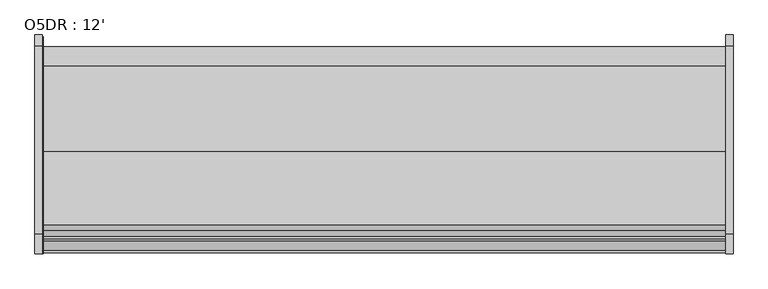
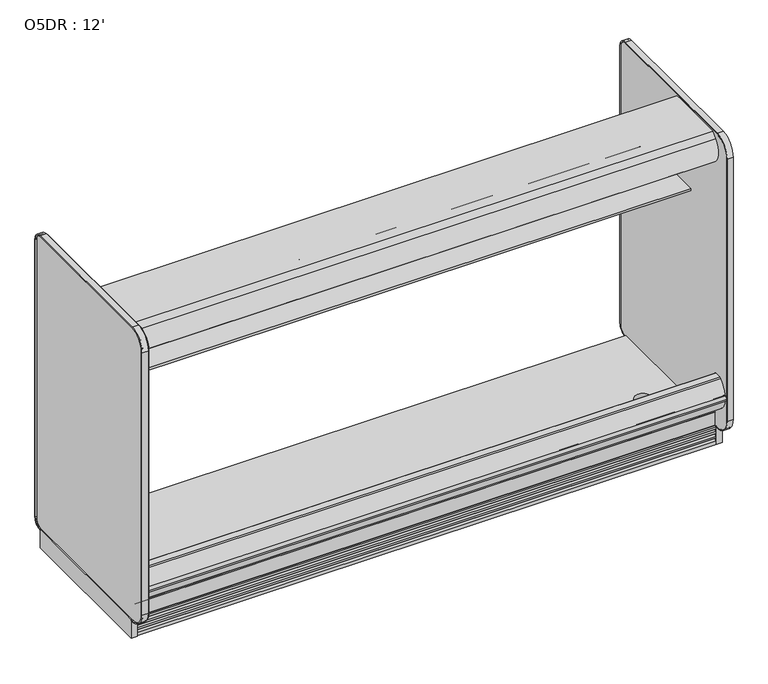
"""IFC4 building model written with IfcOpenShell, lengths in millimetres: proxy geometry, O5DR : 12'."""

from ifc_helpers import new_model, si_unit, point, frame, frame_2d, origin, origin_with_axes, place, context, project, spatial, polyline, circle_curve, trimmed, segment, composite_curve, outline, extrude, source, transform, mapped, element, save
from ifc_brep_helpers import plane_surface, revolved_surface, advanced_brep


def o5dr_12_8daa2e01(model_context):
    return source(origin(), model_context, "Body", "SolidModel", [
        advanced_brep(
        [(3657.6, -401.5089273, 0.0), (3657.6, -401.5089273, 130.175), (3657.6, -1207.9589273, 130.175), (3657.6, -1207.9589273, 0.0), (3657.6, -1161.1594273, 0.0), (3657.6, -1161.1594273, 74.8810382), (3657.6, -446.7209273, 74.8810382), (3657.6, -446.7209273, 0.0), (0.0, -401.5089273, 0.0), (0.0, -446.7209273, 0.0), (0.0, -446.7209273, 74.8810382), (0.0, -1161.1594273, 74.8810382), (0.0, -1161.1594273, 0.0), (0.0, -1207.9589273, 0.0), (0.0, -1207.9589273, 130.175), (0.0, -401.5089273, 130.175), (3486.15, -973.0089273, 130.175), (3384.55, -973.0089273, 130.175), (1879.6, -1128.5839273, 130.175), (1778.0, -1128.5839273, 130.175), (1789.8195331, -1161.1594273, 0.0), (1867.7804669, -1161.1594273, 0.0), (1867.7804669, -1161.1594273, 74.8810382), (1789.8195331, -1161.1594273, 74.8810382), (1879.6, -1128.5839273, 74.8810382), (1778.0, -1128.5839273, 74.8810382), (3384.55, -973.0089273, 74.8810382), (3486.15, -973.0089273, 74.8810382)],
        [
            (0, 1),
            (1, 2),
            (2, 3),
            (3, 4),
            (4, 5),
            (5, 6),
            (6, 7),
            (7, 0),
            (8, 9),
            (9, 10),
            (10, 11),
            (11, 12),
            (12, 13),
            (13, 14),
            (14, 15),
            (15, 8),
            (0, 8),
            (15, 1),
            (14, 2),
            (16, 17, circle_curve(frame((3435.35, -973.0089273, 130.175), z_axis=(0.0, 0.0, -1.0), x_axis=(1.0, 0.0, 0.0)), 50.8)),
            (17, 16, circle_curve(frame((3435.35, -973.0089273, 130.175), z_axis=(0.0, 0.0, -1.0), x_axis=(1.0, 0.0, 0.0)), 50.8)),
            (18, 19, circle_curve(frame((1828.8, -1128.5839273, 130.175), z_axis=(0.0, 0.0, -1.0), x_axis=(1.0, 0.0, 0.0)), 50.8)),
            (19, 18, circle_curve(frame((1828.8, -1128.5839273, 130.175), z_axis=(0.0, 0.0, -1.0), x_axis=(1.0, 0.0, 0.0)), 50.8)),
            (13, 3),
            (12, 20),
            (20, 21, circle_curve(frame((1828.8, -1128.5839273, 0.0), z_axis=(0.0, 0.0, 1.0), x_axis=(1.0, 0.0, 0.0)), 50.8)),
            (21, 4),
            (21, 22),
            (22, 5),
            (11, 23),
            (23, 20),
            (22, 24, circle_curve(frame((1828.8, -1128.5839273, 74.8810382), z_axis=(0.0, 0.0, 1.0), x_axis=(1.0, 0.0, 0.0)), 50.8)),
            (24, 25, circle_curve(frame((1828.8, -1128.5839273, 74.8810382), z_axis=(0.0, 0.0, 1.0), x_axis=(1.0, 0.0, 0.0)), 50.8)),
            (25, 23, circle_curve(frame((1828.8, -1128.5839273, 74.8810382), z_axis=(0.0, 0.0, 1.0), x_axis=(1.0, 0.0, 0.0)), 50.8)),
            (10, 6),
            (26, 27, circle_curve(frame((3435.35, -973.0089273, 74.8810382), z_axis=(0.0, 0.0, 1.0), x_axis=(1.0, 0.0, 0.0)), 50.8)),
            (27, 26, circle_curve(frame((3435.35, -973.0089273, 74.8810382), z_axis=(0.0, 0.0, 1.0), x_axis=(1.0, 0.0, 0.0)), 50.8)),
            (9, 7),
            (25, 19),
            (18, 24),
            (16, 27),
            (26, 17),
        ],
        [
            plane_surface(frame((3657.6, -401.5089273, 1893.5715584), z_axis=(1.0, 0.0, 0.0), x_axis=(0.0, 0.0, 1.0))),
            plane_surface(frame((0.0, -401.5089273, 1893.5715584), z_axis=(-1.0, 0.0, 0.0), x_axis=(0.0, 0.0, -1.0))),
            plane_surface(frame((3657.6, -401.5089273, 0.0), z_axis=(0.0, 1.0, 0.0), x_axis=(-1.0, 0.0, 0.0))),
            plane_surface(frame((3657.6, -401.5089273, 130.175), z_axis=(0.0, 0.0, 1.0), x_axis=(-1.0, 0.0, 0.0))),
            plane_surface(frame((3657.6, -1207.9589273, 130.175), z_axis=(0.0, -1.0, 0.0), x_axis=(-1.0, 0.0, 0.0))),
            plane_surface(frame((3657.6, -1207.9589273, 0.0), z_axis=(0.0, 0.0, -1.0), x_axis=(-1.0, 0.0, 0.0))),
            plane_surface(frame((3657.6, -1161.1594273, 0.0), z_axis=(0.0, 1.0, 0.0), x_axis=(-1.0, 0.0, 0.0))),
            plane_surface(frame((3657.6, -1161.1594273, 74.8810382), z_axis=(0.0, 0.0, -1.0), x_axis=(-1.0, 0.0, 0.0))),
            plane_surface(frame((3657.6, -446.7209273, 74.8810382), z_axis=(0.0, -1.0, 0.0), x_axis=(-1.0, 0.0, 0.0))),
            plane_surface(frame((3657.6, -446.7209273, 0.0), z_axis=(0.0, 0.0, -1.0), x_axis=(-1.0, 0.0, 0.0))),
            revolved_surface(polyline([(1879.6, -1128.5839273, 130.175), (1879.6, -1128.5839273, 0.0)]), (1828.8, -1128.5839273, 0.0), (0.0, 0.0, 1.0)),
            revolved_surface(polyline([(1879.6, -1128.5839273, 130.175), (1879.6, -1128.5839273, 74.8810382)]), (1828.8, -1128.5839273, 0.0), (0.0, 0.0, 1.0)),
            revolved_surface(polyline([(3486.15, -973.0089273, 130.175), (3486.15, -973.0089273, 74.8810382)]), (3435.35, -973.0089273, 74.8810382), (0.0, 0.0, 1.0)),
        ],
        [
            (0, [[1, 2, 3, 4, 5, 6, 7, 8]]),
            (1, [[9, 10, 11, 12, 13, 14, 15, 16]]),
            (2, [[-1, 17, -16, 18]]),
            (3, [[-2, -18, -15, 19], [20, 21], [22, 23]]),
            (4, [[-3, -19, -14, 24]]),
            (5, [[-4, -24, -13, 25, 26, 27]]),
            (6, [[-5, -27, 28, 29]]),
            (6, [[-12, 30, 31, -25]]),
            (7, [[-6, -29, 32, 33, 34, -30, -11, 35], [36, 37]]),
            (8, [[-7, -35, -10, 38]]),
            (9, [[-8, -38, -9, -17]]),
            (10, [[39, -22, 40, -32, -28, -26, -31, -34]]),
            (11, [[-39, -33, -40, -23]]),
            (12, [[41, -36, 42, -20]]),
            (12, [[-41, -21, -42, -37]]),
        ],
    ),
        extrude(outline(polyline([(3657.6, -1124.5517544), (3657.6, -1220.8845048), (0.0, -1220.8845048), (0.0, -1124.5517544), (3657.6, -1124.5517544)])), frame((0.0, 0.0, 1916.2000901), z_axis=(0.0, 0.0, 1.0), x_axis=(1.0, 0.0, 0.0)), (0.0, 0.0, 1.0), 25.4000011),
        extrude(outline(composite_curve([segment(polyline([(-1268.1354389, 2052.9777313), (-1268.1354389, 2002.7747442), (-1225.6289576, 2002.7747442), (-1225.637046, 1916.8099985), (-1232.0809753, 1916.8099985), (-1275.3351011, 1943.7184651), (-1359.2214345, 1943.7184651), (-1364.6396625, 1914.3438336), (-1372.7346319, 1907.7863304), (-1374.4934646, 1901.9339691), (-1380.4433938, 1892.6509955)]), True, "CONTINUOUS"), segment(trimmed(circle_curve(frame_2d((-1383.9413468, 1898.8365413)), 7.1060996), [point((-1380.4433938, 1892.6509955))], [point((-1389.2466255, 1894.1088918))], False, "CARTESIAN"), True, "CONTINUOUS"), segment(trimmed(circle_curve(frame_2d((-1310.5318578, 1964.2533376)), 105.4336661), [point((-1389.2466255, 1894.1088918))], [point((-1383.5924806, 2040.2691474))], False, "CARTESIAN"), True, "CONTINUOUS"), segment(trimmed(circle_curve(frame_2d((-1850.5390934, 2526.103015)), 673.8498988), [point((-1383.5924806, 2040.2691474))], [point((-1352.2910323, 2072.4263067))], True, "CARTESIAN"), True, "CONTINUOUS"), segment(polyline([(-1352.2910323, 2072.4263067), (-964.1565965, 2072.4263067), (-964.1565965, 2052.9777313), (-1268.1354389, 2052.9777313)]), True, "CONTINUOUS")], self_intersect=False)), frame((0.0, 0.0, 0.0), z_axis=(1.0, 0.0, 0.0), x_axis=(0.0, 1.0, 0.0)), (0.0, 0.0, 1.0), 3657.6),
        extrude(outline(composite_curve([segment(trimmed(circle_curve(frame_2d((-1283.5813717, 1926.408005)), 14.2875), [point((-1297.8688717, 1926.408005))], [point((-1269.2938717, 1926.408005))], False, "CARTESIAN"), True, "CONTINUOUS"), segment(trimmed(circle_curve(frame_2d((-1283.5813717, 1926.408005)), 14.2875), [point((-1269.2938717, 1926.408005))], [point((-1297.8688717, 1926.408005))], False, "CARTESIAN"), True, "CONTINUOUS")], self_intersect=False)), frame((0.0, 0.0, 0.0), z_axis=(1.0, 0.0, 0.0), x_axis=(0.0, 1.0, 0.0)), (0.0, 0.0, 1.0), 3657.6),
        extrude(outline(composite_curve([segment(trimmed(circle_curve(frame_2d((-1328.6626169, 1926.9342226)), 14.2875), [point((-1342.9501169, 1926.9342226))], [point((-1314.3751169, 1926.9342226))], False, "CARTESIAN"), True, "CONTINUOUS"), segment(trimmed(circle_curve(frame_2d((-1328.6626169, 1926.9342226)), 14.2875), [point((-1314.3751169, 1926.9342226))], [point((-1342.9501169, 1926.9342226))], False, "CARTESIAN"), True, "CONTINUOUS")], self_intersect=False)), frame((0.0, 0.0, 0.0), z_axis=(1.0, 0.0, 0.0), x_axis=(0.0, 1.0, 0.0)), (0.0, 0.0, 1.0), 3657.6),
        extrude(outline(composite_curve([segment(polyline([(-504.9331995, 1543.1704193), (-504.9331995, 1468.069393), (-528.313746, 1468.069393)]), True, "CONTINUOUS"), segment(trimmed(circle_curve(frame_2d((-528.7455821, 1493.4657218)), 25.4), [point((-528.313746, 1468.069393))], [point((-544.7229383, 1473.7202391))], False, "CARTESIAN"), True, "CONTINUOUS"), segment(polyline([(-544.7229383, 1473.7202391), (-562.5749995, 1488.1655047)]), True, "CONTINUOUS"), segment(trimmed(circle_curve(frame_2d((-602.5183901, 1438.8017979)), 63.5), [point((-562.5749995, 1488.1655047))], [point((-594.6205089, 1501.8087298))], True, "CARTESIAN"), True, "CONTINUOUS"), segment(polyline([(-594.6205089, 1501.8087298), (-872.3592482, 1525.5058672), (-873.8480247, 1528.9464193), (-1114.5331995, 1528.9464193), (-1114.5331995, 1543.1704193), (-504.9331995, 1543.1704193)]), True, "CONTINUOUS")], self_intersect=False)), frame((0.0, 0.0, 0.0), z_axis=(1.0, 0.0, 0.0), x_axis=(0.0, 1.0, 0.0)), (0.0, 0.0, 1.0), 3657.6),
        extrude(outline(composite_curve([segment(trimmed(circle_curve(frame_2d((-1486.2305665, 368.7711132)), 17.2640772), [point((-1503.4946437, 368.7711132))], [point((-1468.9664892, 368.7711132))], False, "CARTESIAN"), True, "CONTINUOUS"), segment(trimmed(circle_curve(frame_2d((-1486.2305665, 368.7711132)), 17.2640772), [point((-1468.9664892, 368.7711132))], [point((-1503.4946437, 368.7711132))], False, "CARTESIAN"), True, "CONTINUOUS")], self_intersect=False)), frame((0.0, 0.0, 0.0), z_axis=(1.0, 0.0, 0.0), x_axis=(0.0, 1.0, 0.0)), (0.0, 0.0, 1.0), 3657.6),
        extrude(outline(composite_curve([segment(polyline([(-1436.7705839, 390.3938567), (-1436.7705839, 285.507101), (-1456.5648159, 285.507101)]), True, "CONTINUOUS"), segment(trimmed(circle_curve(frame_2d((-1455.7710499, 291.874601)), 6.4167842), [point((-1456.5648159, 285.507101))], [point((-1460.5821262, 287.6285835))], False, "CARTESIAN"), True, "CONTINUOUS"), segment(trimmed(circle_curve(frame_2d((-1365.5590023, 371.4912835)), 126.7373131), [point((-1460.5821262, 287.6285835))], [point((-1490.5757974, 350.6790881))], False, "CARTESIAN"), True, "CONTINUOUS"), segment(trimmed(circle_curve(frame_2d((-1491.1363265, 367.9297094)), 17.2597256), [point((-1490.5757974, 350.6790881))], [point((-1490.5758884, 385.1803337))], True, "CARTESIAN"), True, "CONTINUOUS"), segment(trimmed(circle_curve(frame_2d((-1318.4244842, 340.7198566)), 177.8), [point((-1490.5758884, 385.1803337))], [point((-1439.2324187, 471.1739979))], False, "CARTESIAN"), True, "CONTINUOUS"), segment(trimmed(circle_curve(frame_2d((-1428.4459959, 459.5263067)), 15.875), [point((-1439.2324187, 471.1739979))], [point((-1428.4459959, 475.4013067))], False, "CARTESIAN"), True, "CONTINUOUS"), segment(polyline([(-1428.4459959, 475.4013067), (-1386.0279959, 475.4013067)]), True, "CONTINUOUS"), segment(trimmed(circle_curve(frame_2d((-1386.0279959, 472.2263067)), 3.175), [point((-1386.0279959, 475.4013067))], [point((-1382.8529959, 472.2263067))], False, "CARTESIAN"), True, "CONTINUOUS"), segment(polyline([(-1382.8529959, 472.2263067), (-1382.8529959, 458.8528257), (-1387.2659837, 458.8528257), (-1387.2659837, 390.3938567), (-1436.7705839, 390.3938567)]), True, "CONTINUOUS")], self_intersect=False)), frame((0.0, 0.0, 0.0), z_axis=(1.0, 0.0, 0.0), x_axis=(0.0, 1.0, 0.0)), (0.0, 0.0, 1.0), 3657.6),
        extrude(outline(composite_curve([segment(polyline([(-1369.8839273, 204.1509267), (-1369.8839273, 0.0), (-1388.9339273, 0.0), (-1388.9339273, 21.5408388)]), True, "CONTINUOUS"), segment(trimmed(circle_curve(frame_2d((-1389.2319159, 35.0451725)), 13.507621), [point((-1388.9339273, 21.5408388))], [point((-1376.3432892, 31.003004))], True, "CARTESIAN"), True, "CONTINUOUS"), segment(polyline([(-1376.3432892, 31.003004), (-1373.1694807, 42.2520535), (-1383.8066759, 40.0942307), (-1385.8005759, 40.0942307), (-1385.8005759, 52.7942307)]), True, "CONTINUOUS"), segment(trimmed(circle_curve(frame_2d((-1390.2184437, 66.2963779)), 14.2065314), [point((-1385.8005759, 52.7942307))], [point((-1376.6585778, 62.0589765))], True, "CARTESIAN"), True, "CONTINUOUS"), segment(polyline([(-1376.6585778, 62.0589765), (-1373.1694807, 73.2242366), (-1383.8066759, 71.0664138), (-1385.8005759, 71.0664138), (-1385.8005759, 83.7664138)]), True, "CONTINUOUS"), segment(trimmed(circle_curve(frame_2d((-1390.290819, 97.3399774)), 14.2969897), [point((-1385.8005759, 83.7664138))], [point((-1376.6585778, 93.0311596))], True, "CARTESIAN"), True, "CONTINUOUS"), segment(polyline([(-1376.6585778, 93.0311596), (-1373.1694807, 104.0699677), (-1383.8066759, 102.0387838), (-1385.8005759, 102.0387838), (-1385.8005759, 114.7387838)]), True, "CONTINUOUS"), segment(trimmed(circle_curve(frame_2d((-1385.2028113, 125.7034438)), 10.9809422), [point((-1385.8005759, 114.7387838))], [point((-1377.4170772, 117.9598377))], True, "CARTESIAN"), True, "CONTINUOUS"), segment(polyline([(-1377.4170772, 117.9598377), (-1377.4170772, 121.5911682), (-1377.4170772, 210.2329633), (-1369.8839273, 204.1509267)]), True, "CONTINUOUS")], self_intersect=False)), frame((0.0, 0.0, 0.0), z_axis=(1.0, 0.0, 0.0), x_axis=(0.0, 1.0, 0.0)), (0.0, 0.0, 1.0), 3657.6),
        extrude(outline(composite_curve([segment(polyline([(-1508.0405239, 224.5763067), (-1508.0405239, 1977.1763067)]), True, "CONTINUOUS"), segment(trimmed(circle_curve(frame_2d((-1406.4405239, 1977.1763067)), 101.6), [point((-1508.0405239, 1977.1763067))], [point((-1406.4405239, 2078.7763067))], False, "CARTESIAN"), True, "CONTINUOUS"), segment(polyline([(-1406.4405239, 2078.7763067), (-399.9655239, 2078.7763067)]), True, "CONTINUOUS"), segment(trimmed(circle_curve(frame_2d((-399.9655239, 2027.9763067)), 50.8), [point((-399.9655239, 2078.7763067))], [point((-349.1655239, 2027.9763067))], False, "CARTESIAN"), True, "CONTINUOUS"), segment(polyline([(-349.1655239, 2027.9763067), (-349.1655239, 173.7763067)]), True, "CONTINUOUS"), segment(trimmed(circle_curve(frame_2d((-399.9655239, 173.7763067)), 50.8), [point((-349.1655239, 173.7763067))], [point((-399.9655239, 122.9763067))], False, "CARTESIAN"), True, "CONTINUOUS"), segment(polyline([(-399.9655239, 122.9763067), (-1406.4405239, 122.9763067)]), True, "CONTINUOUS"), segment(trimmed(circle_curve(frame_2d((-1406.4405239, 224.5763067)), 101.6), [point((-1406.4405239, 122.9763067))], [point((-1508.0405239, 224.5763067))], False, "CARTESIAN"), True, "CONTINUOUS")], self_intersect=False)), frame((-31.0910867, 0.0, 0.0), z_axis=(1.0, 0.0, 0.0), x_axis=(0.0, 1.0, 0.0)), (0.0, 0.0, 1.0), 38.1),
        extrude(outline(composite_curve([segment(trimmed(circle_curve(frame_2d((-1401.6339273, 225.425)), 101.6), [point((-1503.2339273, 225.425))], [point((-1401.6339273, 123.825))], True, "CARTESIAN"), True, "CONTINUOUS"), segment(polyline([(-1401.6339273, 123.825), (-1392.1089273, 123.825), (-1392.1089273, 117.8960417)]), True, "CONTINUOUS"), segment(trimmed(circle_curve(frame_2d((-1401.2263921, 225.6230886)), 108.1121862), [point((-1392.1089273, 117.8960417))], [point((-1509.3385784, 225.6230886))], False, "CARTESIAN"), True, "CONTINUOUS"), segment(polyline([(-1509.3385784, 225.6230886), (-1509.3385784, 1978.061088)]), True, "CONTINUOUS"), segment(trimmed(circle_curve(frame_2d((-1401.4877971, 1978.061088)), 107.8507812), [point((-1509.3385784, 1978.061088))], [point((-1401.4877971, 2085.9118693))], False, "CARTESIAN"), True, "CONTINUOUS"), segment(polyline([(-1401.4877971, 2085.9118693), (-395.147449, 2085.9118693)]), True, "CONTINUOUS"), segment(trimmed(circle_curve(frame_2d((-395.147449, 2028.7963042)), 57.1155651), [point((-395.147449, 2085.9118693))], [point((-338.0318839, 2028.7963042))], False, "CARTESIAN"), True, "CONTINUOUS"), segment(polyline([(-338.0318839, 2028.7963042), (-338.0318839, 173.0053039)]), True, "CONTINUOUS"), segment(trimmed(circle_curve(frame_2d((-395.1589273, 174.625)), 57.15), [point((-338.0318839, 173.0053039))], [point((-395.1589273, 117.475))], False, "CARTESIAN"), True, "CONTINUOUS"), segment(polyline([(-395.1589273, 117.475), (-395.1589273, 123.825)]), True, "CONTINUOUS"), segment(trimmed(circle_curve(frame_2d((-395.1589273, 174.625)), 50.8), [point((-395.1589273, 123.825))], [point((-344.3589273, 174.625))], True, "CARTESIAN"), True, "CONTINUOUS"), segment(polyline([(-344.3589273, 174.625), (-344.3589273, 2028.825)]), True, "CONTINUOUS"), segment(trimmed(circle_curve(frame_2d((-395.1589273, 2028.825)), 50.8), [point((-344.3589273, 2028.825))], [point((-395.1589273, 2079.625))], True, "CARTESIAN"), True, "CONTINUOUS"), segment(polyline([(-395.1589273, 2079.625), (-1401.6339273, 2079.625)]), True, "CONTINUOUS"), segment(trimmed(circle_curve(frame_2d((-1401.6339273, 1978.025)), 101.6), [point((-1401.6339273, 2079.625))], [point((-1503.2339273, 1978.025))], True, "CARTESIAN"), True, "CONTINUOUS"), segment(polyline([(-1503.2339273, 1978.025), (-1503.2339273, 225.425)]), True, "CONTINUOUS")], self_intersect=False)), frame((-38.1, 0.0, 0.0), z_axis=(1.0, 0.0, 0.0), x_axis=(0.0, 1.0, 0.0)), (0.0, 0.0, 1.0), 38.1),
        extrude(outline(polyline([(0.0, -395.1589273), (0.0, -1392.1089273), (-38.1, -1392.1089273), (-38.1, -395.1589273), (0.0, -395.1589273)])), origin_with_axes(), (0.0, 0.0, 1.0), 123.825),
        extrude(outline(composite_curve([segment(polyline([(-1508.0405239, 224.5763067), (-1508.0405239, 1977.1763067)]), True, "CONTINUOUS"), segment(trimmed(circle_curve(frame_2d((-1406.4405239, 1977.1763067)), 101.6), [point((-1508.0405239, 1977.1763067))], [point((-1406.4405239, 2078.7763067))], False, "CARTESIAN"), True, "CONTINUOUS"), segment(polyline([(-1406.4405239, 2078.7763067), (-399.9655239, 2078.7763067)]), True, "CONTINUOUS"), segment(trimmed(circle_curve(frame_2d((-399.9655239, 2027.9763067)), 50.8), [point((-399.9655239, 2078.7763067))], [point((-349.1655239, 2027.9763067))], False, "CARTESIAN"), True, "CONTINUOUS"), segment(polyline([(-349.1655239, 2027.9763067), (-349.1655239, 173.7763067)]), True, "CONTINUOUS"), segment(trimmed(circle_curve(frame_2d((-399.9655239, 173.7763067)), 50.8), [point((-349.1655239, 173.7763067))], [point((-399.9655239, 122.9763067))], False, "CARTESIAN"), True, "CONTINUOUS"), segment(polyline([(-399.9655239, 122.9763067), (-1406.4405239, 122.9763067)]), True, "CONTINUOUS"), segment(trimmed(circle_curve(frame_2d((-1406.4405239, 224.5763067)), 101.6), [point((-1406.4405239, 122.9763067))], [point((-1508.0405239, 224.5763067))], False, "CARTESIAN"), True, "CONTINUOUS")], self_intersect=False)), frame((3657.6, 0.0, 0.0), z_axis=(1.0, 0.0, 0.0), x_axis=(0.0, 1.0, 0.0)), (0.0, 0.0, 1.0), 38.1),
        extrude(outline(composite_curve([segment(trimmed(circle_curve(frame_2d((-1401.6339273, 225.425)), 101.6), [point((-1503.2339273, 225.425))], [point((-1401.6339273, 123.825))], True, "CARTESIAN"), True, "CONTINUOUS"), segment(polyline([(-1401.6339273, 123.825), (-1392.1089273, 123.825), (-1392.1089273, 117.8960417)]), True, "CONTINUOUS"), segment(trimmed(circle_curve(frame_2d((-1401.2263921, 225.6230886)), 108.1121862), [point((-1392.1089273, 117.8960417))], [point((-1509.3385784, 225.6230886))], False, "CARTESIAN"), True, "CONTINUOUS"), segment(polyline([(-1509.3385784, 225.6230886), (-1509.3385784, 1978.061088)]), True, "CONTINUOUS"), segment(trimmed(circle_curve(frame_2d((-1401.4877971, 1978.061088)), 107.8507812), [point((-1509.3385784, 1978.061088))], [point((-1401.4877971, 2085.9118693))], False, "CARTESIAN"), True, "CONTINUOUS"), segment(polyline([(-1401.4877971, 2085.9118693), (-395.147449, 2085.9118693)]), True, "CONTINUOUS"), segment(trimmed(circle_curve(frame_2d((-395.147449, 2028.7963042)), 57.1155651), [point((-395.147449, 2085.9118693))], [point((-338.0318839, 2028.7963042))], False, "CARTESIAN"), True, "CONTINUOUS"), segment(polyline([(-338.0318839, 2028.7963042), (-338.0318839, 173.0053039)]), True, "CONTINUOUS"), segment(trimmed(circle_curve(frame_2d((-395.1589273, 174.625)), 57.15), [point((-338.0318839, 173.0053039))], [point((-395.1589273, 117.475))], False, "CARTESIAN"), True, "CONTINUOUS"), segment(polyline([(-395.1589273, 117.475), (-395.1589273, 123.825)]), True, "CONTINUOUS"), segment(trimmed(circle_curve(frame_2d((-395.1589273, 174.625)), 50.8), [point((-395.1589273, 123.825))], [point((-344.3589273, 174.625))], True, "CARTESIAN"), True, "CONTINUOUS"), segment(polyline([(-344.3589273, 174.625), (-344.3589273, 2028.825)]), True, "CONTINUOUS"), segment(trimmed(circle_curve(frame_2d((-395.1589273, 2028.825)), 50.8), [point((-344.3589273, 2028.825))], [point((-395.1589273, 2079.625))], True, "CARTESIAN"), True, "CONTINUOUS"), segment(polyline([(-395.1589273, 2079.625), (-1401.6339273, 2079.625)]), True, "CONTINUOUS"), segment(trimmed(circle_curve(frame_2d((-1401.6339273, 1978.025)), 101.6), [point((-1401.6339273, 2079.625))], [point((-1503.2339273, 1978.025))], True, "CARTESIAN"), True, "CONTINUOUS"), segment(polyline([(-1503.2339273, 1978.025), (-1503.2339273, 225.425)]), True, "CONTINUOUS")], self_intersect=False)), frame((3657.6, 0.0, 0.0), z_axis=(1.0, 0.0, 0.0), x_axis=(0.0, 1.0, 0.0)), (0.0, 0.0, 1.0), 38.1),
        extrude(outline(polyline([(3695.7, -395.1589273), (3695.7, -1392.1089273), (3657.6, -1392.1089273), (3657.6, -395.1589273), (3695.7, -395.1589273)])), origin_with_axes(), (0.0, 0.0, 1.0), 123.825),
    ])


if __name__ == "__main__":
    model = new_model("IFC4")
    model_context = context("Model", 3, world=origin())
    ifc_project = project(units=[si_unit("LENGTHUNIT", "METRE", prefix="MILLI")], contexts=[model_context])
    site = spatial("IfcSite", under=ifc_project)
    building = spatial("IfcBuilding", under=site)
    placement = place(None, origin())
    o5dr_12_shape = o5dr_12_8daa2e01(model_context)
    element("IfcBuildingElementProxy", 1, Name="O5DR : 12'", ObjectType="O5DR : 12'", at=placement, inside=building, context=model_context, shape_type="MappedRepresentation", body=[
        mapped(o5dr_12_shape, transform((0.0, 0.0, 0.0), x_axis=(1.0, 0.0, 0.0), y_axis=(0.0, 1.0, 0.0), z_axis=(0.0, 0.0, 1.0))),
    ])
    save(model, "model.ifc")
